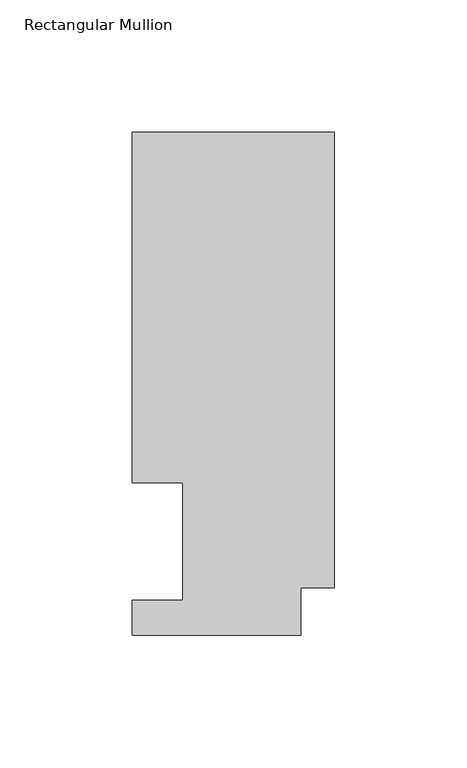
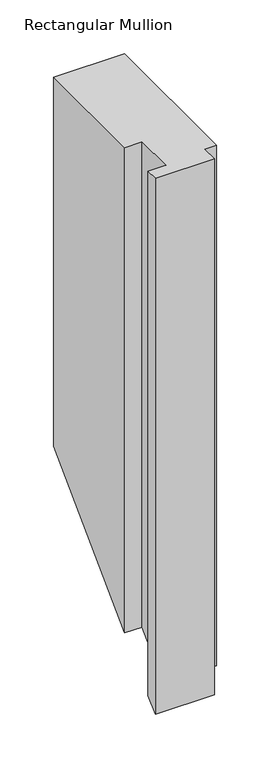
"""IFC4 building model written with IfcOpenShell, lengths in millimetres: member geometry, Rectangular Mullion."""

from ifc_helpers import new_model, si_unit, origin, place, context, project, spatial, faceted_brep, source, transform, mapped, element, save


def rectangular_mullion_e340dca9(model_context):
    return source(origin(), model_context, "Body", "Brep", [
        faceted_brep([(0.0, 189.8022938, 0.0), (-76.2, 189.8022938, 0.0), (-76.2, 57.6460938, 0.0), (-57.15, 57.6460937, 0.0), (-57.15, 13.1960938, 0.0), (-76.2, 13.1960938, 0.0), (-76.2, 0.0134938, 0.0), (-12.7, 0.0134938, 0.0), (-12.7, 17.9712938, 0.0), (0.0, 17.9712938, 0.0), (0.0, 17.9712938, -591.6287062), (0.0, 189.8022938, -419.7977062), (-12.7, 17.9712938, -591.6287062), (-12.7, 0.0134938, -609.5865062), (-76.2, 0.0134938, -609.5865062), (-76.2, 13.1960938, -596.4039062), (-57.15, 13.1960938, -596.4039062), (-57.15, 57.6460937, -551.9539062), (-76.2, 57.6460938, -551.9539062), (-76.2, 189.8022938, -419.7977062)], [[[0, 1, 2, 3, 4, 5, 6, 7, 8, 9]], [[0, 9, 10, 11]], [[9, 8, 12, 10]], [[8, 7, 13, 12]], [[7, 6, 14, 13]], [[6, 5, 15, 14]], [[5, 4, 16, 15]], [[4, 3, 17, 16]], [[3, 2, 18, 17]], [[2, 1, 19, 18]], [[1, 0, 11, 19]], [[11, 10, 12, 13, 14, 15, 16, 17, 18, 19]]]),
    ])


if __name__ == "__main__":
    model = new_model("IFC4")
    model_context = context("Model", 3, world=origin())
    ifc_project = project(units=[si_unit("LENGTHUNIT", "METRE", prefix="MILLI")], contexts=[model_context])
    site = spatial("IfcSite", under=ifc_project)
    building = spatial("IfcBuilding", under=site)
    placement = place(None, origin())
    rectangular_mullion_shape = rectangular_mullion_e340dca9(model_context)
    element("IfcMember", 1, ObjectType="Rectangular Mullion", at=placement, inside=building, context=model_context, shape_type="MappedRepresentation", body=[
        mapped(rectangular_mullion_shape, transform((0.0, 0.0, 0.0), x_axis=(1.0, 0.0, 0.0), y_axis=(0.0, 1.0, 0.0), z_axis=(0.0, 0.0, 1.0))),
    ])
    save(model, "model.ifc")
